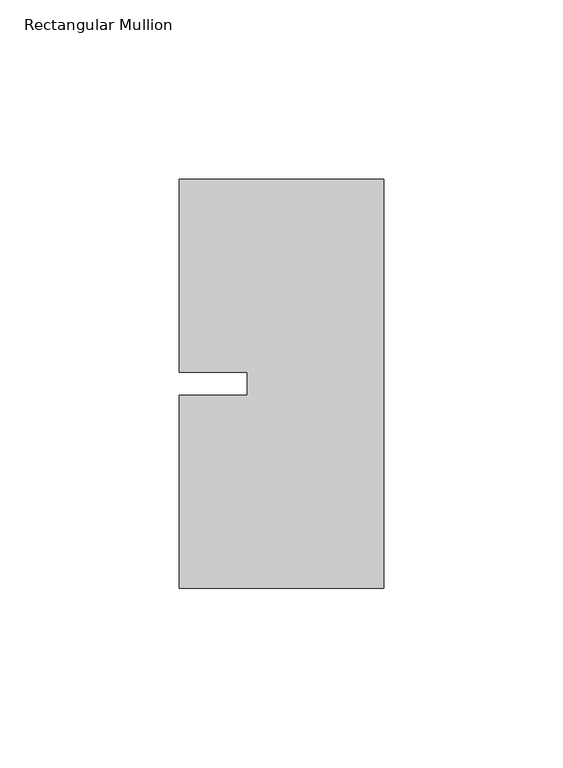
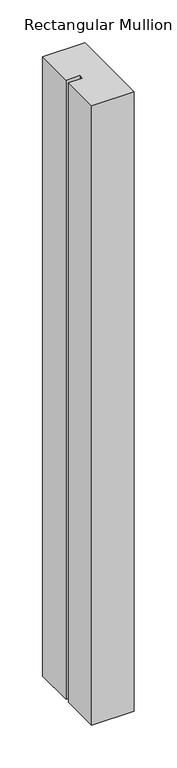
"""IFC4 building model written with IfcOpenShell, lengths in millimetres: member geometry, Rectangular Mullion."""

from ifc_helpers import new_model, si_unit, frame, origin, place, context, project, spatial, polyline, outline, extrude, source, transform, mapped, element, save


def rectangular_mullion_25653658(model_context):
    return source(origin(), model_context, "Body", "SweptSolid", [
        extrude(outline(polyline([(-57.15, 57.15), (0.0, 57.15), (0.0, -57.15), (-57.15, -57.15), (-57.15, -3.175), (-38.1, -3.175), (-38.1, 3.175), (-57.15, 3.175), (-57.15, 57.15)])), frame((0.0, 0.0, -880.6344027), z_axis=(0.0, 0.0, 1.0), x_axis=(1.0, 0.0, 0.0)), (0.0, 0.0, 1.0), 880.6344027),
    ])


if __name__ == "__main__":
    model = new_model("IFC4")
    model_context = context("Model", 3, world=origin())
    ifc_project = project(units=[si_unit("LENGTHUNIT", "METRE", prefix="MILLI")], contexts=[model_context])
    site = spatial("IfcSite", under=ifc_project)
    building = spatial("IfcBuilding", under=site)
    placement = place(None, origin())
    rectangular_mullion_shape = rectangular_mullion_25653658(model_context)
    element("IfcMember", 1, ObjectType="Rectangular Mullion", at=placement, inside=building, context=model_context, shape_type="MappedRepresentation", body=[
        mapped(rectangular_mullion_shape, transform((0.0, 0.0, 0.0), x_axis=(1.0, 0.0, 0.0), y_axis=(0.0, 1.0, 0.0), z_axis=(0.0, 0.0, 1.0))),
    ])
    save(model, "model.ifc")
